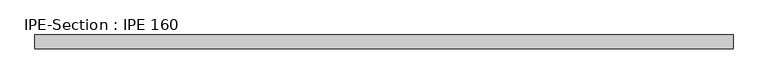
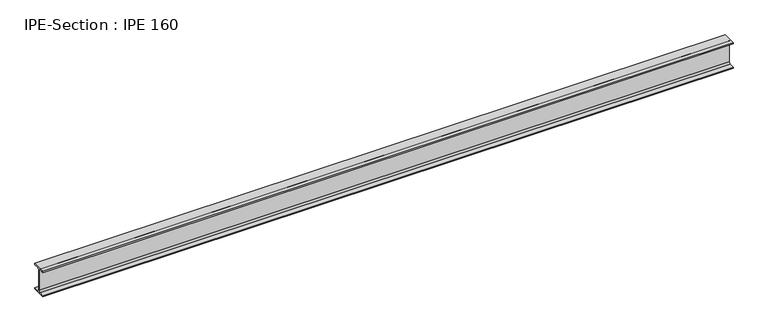
"""IFC4 building model written with IfcOpenShell, lengths in millimetres: beam geometry, IPE-Section : IPE 160."""

from ifc_helpers import new_model, si_unit, point, frame, frame_2d, origin, place, context, project, spatial, polyline, circle_curve, trimmed, segment, composite_curve, outline, extrude, source, transform, mapped, element, save


def ipe_section_ipe_160_2d696259(model_context):
    return source(origin(), model_context, "Body", "SweptSolid", [
        extrude(outline(composite_curve([segment(polyline([(-41.0, -72.6), (-11.5, -72.6)]), True, "CONTINUOUS"), segment(trimmed(circle_curve(frame_2d((-11.5, -63.6)), 9.0), [point((-11.5, -72.6))], [point((-2.5, -63.6))], True, "CARTESIAN"), True, "CONTINUOUS"), segment(polyline([(-2.5, -63.6), (-2.5, 63.6)]), True, "CONTINUOUS"), segment(trimmed(circle_curve(frame_2d((-11.5, 63.6)), 9.0), [point((-2.5, 63.6))], [point((-11.5, 72.6))], True, "CARTESIAN"), True, "CONTINUOUS"), segment(polyline([(-11.5, 72.6), (-41.0, 72.6), (-41.0, 80.0), (41.0, 80.0), (41.0, 72.6), (11.5, 72.6)]), True, "CONTINUOUS"), segment(trimmed(circle_curve(frame_2d((11.5, 63.6)), 9.0), [point((11.5, 72.6))], [point((2.5, 63.6))], True, "CARTESIAN"), True, "CONTINUOUS"), segment(polyline([(2.5, 63.6), (2.5, -63.6)]), True, "CONTINUOUS"), segment(trimmed(circle_curve(frame_2d((11.5, -63.6)), 9.0), [point((2.5, -63.6))], [point((11.5, -72.6))], True, "CARTESIAN"), True, "CONTINUOUS"), segment(polyline([(11.5, -72.6), (41.0, -72.6), (41.0, -80.0), (-41.0, -80.0), (-41.0, -72.6)]), True, "CONTINUOUS")], self_intersect=False)), frame((-2034.2166667, 0.0, 0.0), z_axis=(1.0, 0.0, 0.0), x_axis=(0.0, 1.0, 0.0)), (0.0, 0.0, 1.0), 4109.4333327),
    ])


if __name__ == "__main__":
    model = new_model("IFC4")
    model_context = context("Model", 3, world=origin())
    ifc_project = project(units=[si_unit("LENGTHUNIT", "METRE", prefix="MILLI")], contexts=[model_context])
    site = spatial("IfcSite", under=ifc_project)
    building = spatial("IfcBuilding", under=site)
    placement = place(None, origin())
    ipe_section_ipe_160_shape = ipe_section_ipe_160_2d696259(model_context)
    element("IfcBeam", 1, ObjectType="IPE-Section : IPE 160", at=placement, inside=building, context=model_context, shape_type="MappedRepresentation", body=[
        mapped(ipe_section_ipe_160_shape, transform((0.0, 0.0, 0.0), x_axis=(1.0, 0.0, 0.0), y_axis=(0.0, 1.0, 0.0), z_axis=(0.0, 0.0, 1.0))),
    ])
    save(model, "model.ifc")
